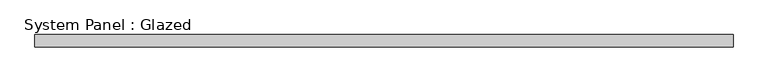
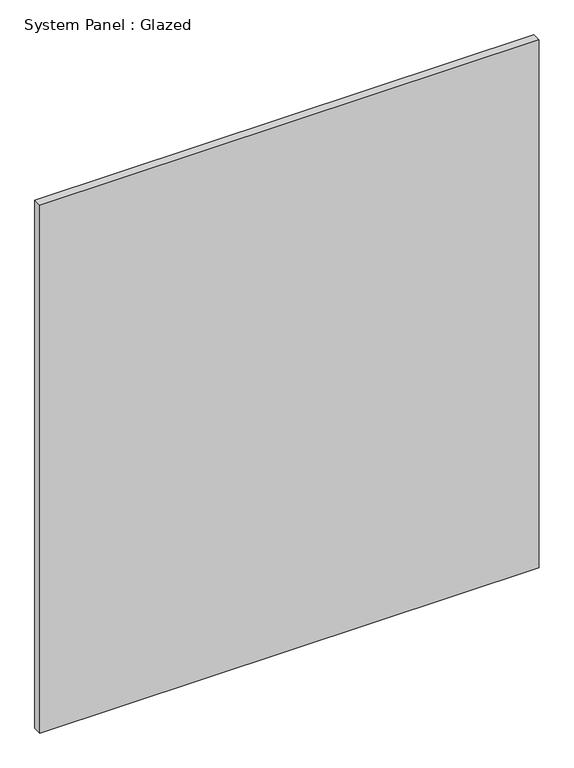
"""IFC4 building model written with IfcOpenShell, lengths in millimetres: plate geometry, System Panel : Glazed."""

from ifc_helpers import new_model, si_unit, origin, origin_with_axes, place, context, project, spatial, polyline, outline, extrude, source, transform, mapped, element, save


def system_panel_glazed_116336b2(model_context):
    return source(origin(), model_context, "Body", "SweptSolid", [
        extrude(outline(polyline([(727.075, -12.7), (-727.075, -12.7), (-727.075, 12.7), (727.075, 12.7), (727.075, -12.7)])), origin_with_axes(), (0.0, 0.0, 1.0), 1625.6),
    ])


if __name__ == "__main__":
    model = new_model("IFC4")
    model_context = context("Model", 3, world=origin())
    ifc_project = project(units=[si_unit("LENGTHUNIT", "METRE", prefix="MILLI")], contexts=[model_context])
    site = spatial("IfcSite", under=ifc_project)
    building = spatial("IfcBuilding", under=site)
    placement = place(None, origin())
    system_panel_glazed_shape = system_panel_glazed_116336b2(model_context)
    element("IfcPlate", 1, ObjectType="System Panel : Glazed", at=placement, inside=building, context=model_context, shape_type="MappedRepresentation", body=[
        mapped(system_panel_glazed_shape, transform((0.0, 0.0, 0.0), x_axis=(1.0, 0.0, 0.0), y_axis=(0.0, 1.0, 0.0), z_axis=(0.0, 0.0, 1.0))),
    ])
    save(model, "model.ifc")
